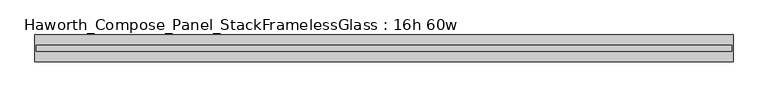
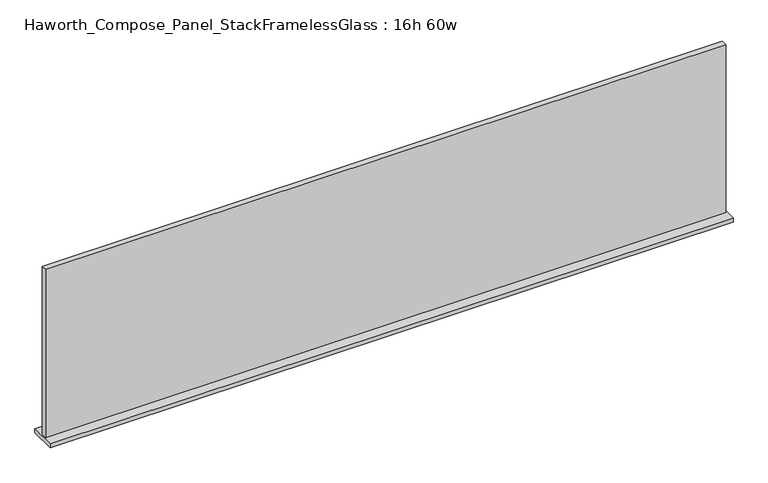
"""IFC4 building model written with IfcOpenShell, lengths in millimetres: furniture geometry, Haworth_Compose_Panel_StackFramelessGlass : 16h 60w."""

from ifc_helpers import new_model, si_unit, frame, origin, place, context, project, spatial, polyline, outline, extrude, source, transform, mapped, element, save


def haworth_compose_panel_stackframelessglass_16h_60w_12fcaf2d(model_context):
    return source(origin(), model_context, "Body", "SweptSolid", [
        extrude(outline(polyline([(761.2652902, -27.3093594), (-756.3847098, -27.3093594), (-756.3847098, -14.6093594), (761.2652902, -14.6093594), (761.2652902, -27.3093594)])), frame((0.0, 0.0, 1279.525), z_axis=(0.0, 0.0, 1.0), x_axis=(1.0, 0.0, 0.0)), (0.0, 0.0, 1.0), 396.875),
        extrude(outline(polyline([(-759.5597098, -50.3281094), (-759.5597098, 8.4093906), (764.4402902, 8.4093906), (764.4402902, -50.3281094), (-759.5597098, -50.3281094)])), frame((0.0, 0.0, 1270.0), z_axis=(0.0, 0.0, 1.0), x_axis=(1.0, 0.0, 0.0)), (0.0, 0.0, 1.0), 9.525),
    ])


if __name__ == "__main__":
    model = new_model("IFC4")
    model_context = context("Model", 3, world=origin())
    ifc_project = project(units=[si_unit("LENGTHUNIT", "METRE", prefix="MILLI")], contexts=[model_context])
    site = spatial("IfcSite", under=ifc_project)
    building = spatial("IfcBuilding", under=site)
    placement = place(None, origin())
    haworth_compose_panel_stackframelessglass_16h_60w_shape = haworth_compose_panel_stackframelessglass_16h_60w_12fcaf2d(model_context)
    element("IfcFurniture", 1, ObjectType="Haworth_Compose_Panel_StackFramelessGlass : 16h 60w", at=placement, inside=building, context=model_context, shape_type="MappedRepresentation", body=[
        mapped(haworth_compose_panel_stackframelessglass_16h_60w_shape, transform((0.0, 0.0, 0.0), x_axis=(1.0, 0.0, 0.0), y_axis=(0.0, 1.0, 0.0), z_axis=(0.0, 0.0, 1.0))),
    ])
    save(model, "model.ifc")
